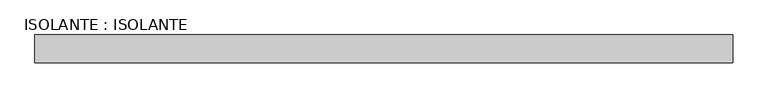
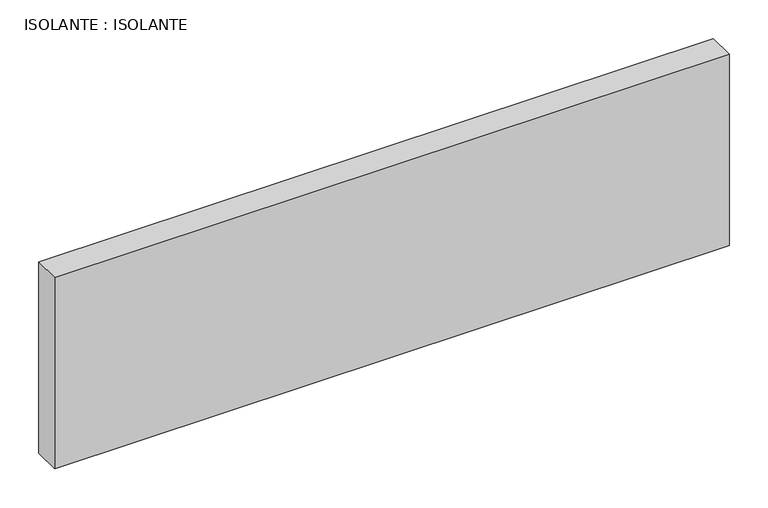
"""IFC4 building model written with IfcOpenShell, lengths in millimetres: plate geometry, ISOLANTE : ISOLANTE."""

from ifc_helpers import new_model, si_unit, origin, origin_with_axes, place, context, project, spatial, polyline, outline, extrude, source, transform, mapped, element, save


def isolante_isolante_005660ff(model_context):
    return source(origin(), model_context, "Body", "SweptSolid", [
        extrude(outline(polyline([(-500.0, 0.0), (-500.0, 40.0), (500.0, 40.0), (500.0, 0.0), (-500.0, 0.0)])), origin_with_axes(), (0.0, 0.0, 1.0), 300.0),
    ])


if __name__ == "__main__":
    model = new_model("IFC4")
    model_context = context("Model", 3, world=origin())
    ifc_project = project(units=[si_unit("LENGTHUNIT", "METRE", prefix="MILLI")], contexts=[model_context])
    site = spatial("IfcSite", under=ifc_project)
    building = spatial("IfcBuilding", under=site)
    placement = place(None, origin())
    isolante_isolante_shape = isolante_isolante_005660ff(model_context)
    element("IfcPlate", 1, ObjectType="ISOLANTE : ISOLANTE", at=placement, inside=building, context=model_context, shape_type="MappedRepresentation", body=[
        mapped(isolante_isolante_shape, transform((0.0, 0.0, 0.0), x_axis=(1.0, 0.0, 0.0), y_axis=(0.0, 1.0, 0.0), z_axis=(0.0, 0.0, 1.0))),
    ])
    save(model, "model.ifc")
